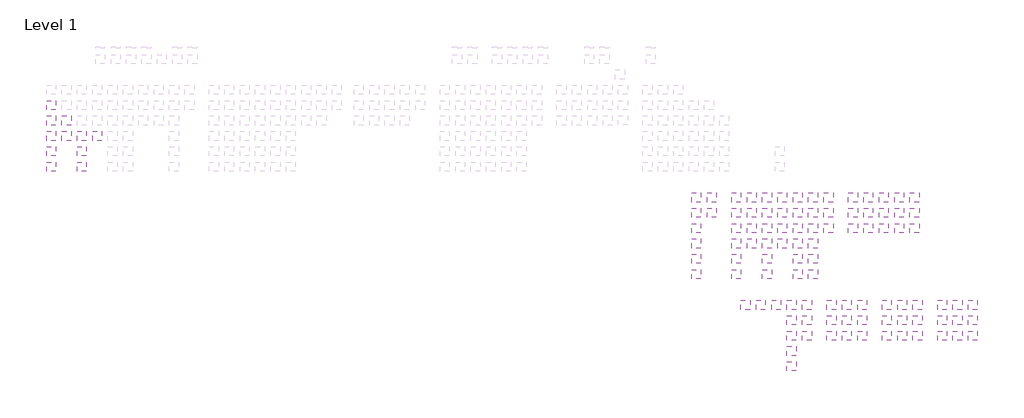
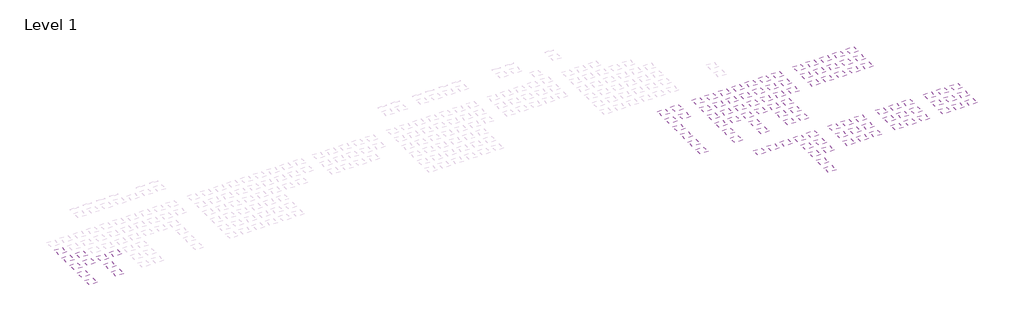
# One storey, part 6 of 90: 107 coverings.
"""IFC4 building model written with IfcOpenShell, lengths in millimetres."""

from ifc_helpers import new_model, si_unit, frame, origin, place, context, project, spatial, polyline, outline, extrude, element, save

model = new_model("IFC4")

# Units and contexts
model_context = context("Model", 3, world=origin())
ifc_project = project(units=[si_unit("LENGTHUNIT", "METRE", prefix="MILLI")], contexts=[model_context])

# Site, building, storey
site = spatial("IfcSite", under=ifc_project)
building = spatial("IfcBuilding", under=site)
storey = spatial("IfcBuildingStorey", under=building, Name="Level 1", Elevation=0.0)

# Coverings
placement = place(None, origin())
element("IfcCovering", 1, at=placement, inside=storey, context=model_context, shape_type="SweptSolid", body=[
    extrude(outline(polyline([(-14078.6111825, 17503.2440705), (-14078.6111825, 14503.2440705), (-17078.6111825, 14503.2440705), (-17078.6111825, 17503.2440705), (-14078.6111825, 17503.2440705)])), frame((0.0, 0.0, 2600.0), z_axis=(0.0, 0.0, 1.0), x_axis=(1.0, 0.0, 0.0)), (0.0, 0.0, 1.0), 38.0),
])
element("IfcCovering", 2, at=placement, inside=storey, context=model_context, shape_type="SweptSolid", body=[
    extrude(outline(polyline([(-14078.6111825, 12503.2440705), (-14078.6111825, 9503.2440705), (-17078.6111825, 9503.2440705), (-17078.6111825, 12503.2440705), (-14078.6111825, 12503.2440705)])), frame((0.0, 0.0, 2600.0), z_axis=(0.0, 0.0, 1.0), x_axis=(1.0, 0.0, 0.0)), (0.0, 0.0, 1.0), 38.0),
])
element("IfcCovering", 3, at=placement, inside=storey, context=model_context, shape_type="SweptSolid", body=[
    extrude(outline(polyline([(-14078.6111825, 2503.2440705), (-14078.6111825, -496.7559295), (-17078.6111825, -496.7559295), (-17078.6111825, 2503.2440705), (-14078.6111825, 2503.2440705)])), frame((0.0, 0.0, 2600.0), z_axis=(0.0, 0.0, 1.0), x_axis=(1.0, 0.0, 0.0)), (0.0, 0.0, 1.0), 38.0),
])
element("IfcCovering", 4, at=placement, inside=storey, context=model_context, shape_type="SweptSolid", body=[
    extrude(outline(polyline([(-4078.6111825, 12503.2440705), (-4078.6111825, 9503.2440705), (-7078.6111825, 9503.2440705), (-7078.6111825, 12503.2440705), (-4078.6111825, 12503.2440705)])), frame((0.0, 0.0, 2600.0), z_axis=(0.0, 0.0, 1.0), x_axis=(1.0, 0.0, 0.0)), (0.0, 0.0, 1.0), 38.0),
])
element("IfcCovering", 5, at=placement, inside=storey, context=model_context, shape_type="SweptSolid", body=[
    extrude(outline(polyline([(-4078.6111825, 2503.2440705), (-4078.6111825, -496.7559295), (-7078.6111825, -496.7559295), (-7078.6111825, 2503.2440705), (-4078.6111825, 2503.2440705)])), frame((0.0, 0.0, 2600.0), z_axis=(0.0, 0.0, 1.0), x_axis=(1.0, 0.0, 0.0)), (0.0, 0.0, 1.0), 38.0),
])
element("IfcCovering", 6, at=placement, inside=storey, context=model_context, shape_type="SweptSolid", body=[
    extrude(outline(polyline([(195921.3888175, -7496.7559295), (195921.3888175, -10496.7559295), (192921.3888175, -10496.7559295), (192921.3888175, -7496.7559295), (195921.3888175, -7496.7559295)])), frame((0.0, 0.0, 2600.0), z_axis=(0.0, 0.0, 1.0), x_axis=(1.0, 0.0, 0.0)), (0.0, 0.0, 1.0), 105.0),
])
element("IfcCovering", 7, at=placement, inside=storey, context=model_context, shape_type="SweptSolid", body=[
    extrude(outline(polyline([(195921.3888175, -17496.7559295), (195921.3888175, -20496.7559295), (192921.3888175, -20496.7559295), (192921.3888175, -17496.7559295), (195921.3888175, -17496.7559295)])), frame((0.0, 0.0, 2600.0), z_axis=(0.0, 0.0, 1.0), x_axis=(1.0, 0.0, 0.0)), (0.0, 0.0, 1.0), 105.0),
])
element("IfcCovering", 8, at=placement, inside=storey, context=model_context, shape_type="SweptSolid", body=[
    extrude(outline(polyline([(208921.3888175, -7496.7559295), (208921.3888175, -10496.7559295), (205921.3888175, -10496.7559295), (205921.3888175, -7496.7559295), (208921.3888175, -7496.7559295)])), frame((0.0, 0.0, 2600.0), z_axis=(0.0, 0.0, 1.0), x_axis=(1.0, 0.0, 0.0)), (0.0, 0.0, 1.0), 38.0),
])
element("IfcCovering", 9, at=placement, inside=storey, context=model_context, shape_type="SweptSolid", body=[
    extrude(outline(polyline([(208921.3888175, -17496.7559295), (208921.3888175, -20496.7559295), (205921.3888175, -20496.7559295), (205921.3888175, -17496.7559295), (208921.3888175, -17496.7559295)])), frame((0.0, 0.0, 2600.0), z_axis=(0.0, 0.0, 1.0), x_axis=(1.0, 0.0, 0.0)), (0.0, 0.0, 1.0), 38.0),
])
element("IfcCovering", 10, at=placement, inside=storey, context=model_context, shape_type="SweptSolid", body=[
    extrude(outline(polyline([(208921.3888175, -22496.7559295), (208921.3888175, -25496.7559295), (205921.3888175, -25496.7559295), (205921.3888175, -22496.7559295), (208921.3888175, -22496.7559295)])), frame((0.0, 0.0, 2600.0), z_axis=(0.0, 0.0, 1.0), x_axis=(1.0, 0.0, 0.0)), (0.0, 0.0, 1.0), 38.0),
])
element("IfcCovering", 11, at=placement, inside=storey, context=model_context, shape_type="SweptSolid", body=[
    extrude(outline(polyline([(208921.3888175, -32496.7559295), (208921.3888175, -35496.7559295), (205921.3888175, -35496.7559295), (205921.3888175, -32496.7559295), (208921.3888175, -32496.7559295)])), frame((0.0, 0.0, 2600.0), z_axis=(0.0, 0.0, 1.0), x_axis=(1.0, 0.0, 0.0)), (0.0, 0.0, 1.0), 38.0),
])
element("IfcCovering", 12, at=placement, inside=storey, context=model_context, shape_type="SweptSolid", body=[
    extrude(outline(polyline([(218921.3888175, -7496.7559295), (218921.3888175, -10496.7559295), (215921.3888175, -10496.7559295), (215921.3888175, -7496.7559295), (218921.3888175, -7496.7559295)])), frame((0.0, 0.0, 2600.0), z_axis=(0.0, 0.0, 1.0), x_axis=(1.0, 0.0, 0.0)), (0.0, 0.0, 1.0), 38.0),
])
element("IfcCovering", 13, at=placement, inside=storey, context=model_context, shape_type="SweptSolid", body=[
    extrude(outline(polyline([(218921.3888175, -17496.7559295), (218921.3888175, -20496.7559295), (215921.3888175, -20496.7559295), (215921.3888175, -17496.7559295), (218921.3888175, -17496.7559295)])), frame((0.0, 0.0, 2600.0), z_axis=(0.0, 0.0, 1.0), x_axis=(1.0, 0.0, 0.0)), (0.0, 0.0, 1.0), 38.0),
])
element("IfcCovering", 14, at=placement, inside=storey, context=model_context, shape_type="SweptSolid", body=[
    extrude(outline(polyline([(218921.3888175, -22496.7559295), (218921.3888175, -25496.7559295), (215921.3888175, -25496.7559295), (215921.3888175, -22496.7559295), (218921.3888175, -22496.7559295)])), frame((0.0, 0.0, 2600.0), z_axis=(0.0, 0.0, 1.0), x_axis=(1.0, 0.0, 0.0)), (0.0, 0.0, 1.0), 38.0),
])
element("IfcCovering", 15, at=placement, inside=storey, context=model_context, shape_type="SweptSolid", body=[
    extrude(outline(polyline([(218921.3888175, -32496.7559295), (218921.3888175, -35496.7559295), (215921.3888175, -35496.7559295), (215921.3888175, -32496.7559295), (218921.3888175, -32496.7559295)])), frame((0.0, 0.0, 2600.0), z_axis=(0.0, 0.0, 1.0), x_axis=(1.0, 0.0, 0.0)), (0.0, 0.0, 1.0), 38.0),
])
element("IfcCovering", 16, at=placement, inside=storey, context=model_context, shape_type="SweptSolid", body=[
    extrude(outline(polyline([(228921.3888175, -7496.7559295), (228921.3888175, -10496.7559295), (225921.3888175, -10496.7559295), (225921.3888175, -7496.7559295), (228921.3888175, -7496.7559295)])), frame((0.0, 0.0, 2600.0), z_axis=(0.0, 0.0, 1.0), x_axis=(1.0, 0.0, 0.0)), (0.0, 0.0, 1.0), 38.0),
])
element("IfcCovering", 17, at=placement, inside=storey, context=model_context, shape_type="SweptSolid", body=[
    extrude(outline(polyline([(228921.3888175, -17496.7559295), (228921.3888175, -20496.7559295), (225921.3888175, -20496.7559295), (225921.3888175, -17496.7559295), (228921.3888175, -17496.7559295)])), frame((0.0, 0.0, 2600.0), z_axis=(0.0, 0.0, 1.0), x_axis=(1.0, 0.0, 0.0)), (0.0, 0.0, 1.0), 38.0),
])
element("IfcCovering", 18, at=placement, inside=storey, context=model_context, shape_type="SweptSolid", body=[
    extrude(outline(polyline([(228921.3888175, -22496.7559295), (228921.3888175, -25496.7559295), (225921.3888175, -25496.7559295), (225921.3888175, -22496.7559295), (228921.3888175, -22496.7559295)])), frame((0.0, 0.0, 2600.0), z_axis=(0.0, 0.0, 1.0), x_axis=(1.0, 0.0, 0.0)), (0.0, 0.0, 1.0), 38.0),
])
element("IfcCovering", 19, at=placement, inside=storey, context=model_context, shape_type="SweptSolid", body=[
    extrude(outline(polyline([(228921.3888175, -32496.7559295), (228921.3888175, -35496.7559295), (225921.3888175, -35496.7559295), (225921.3888175, -32496.7559295), (228921.3888175, -32496.7559295)])), frame((0.0, 0.0, 2600.0), z_axis=(0.0, 0.0, 1.0), x_axis=(1.0, 0.0, 0.0)), (0.0, 0.0, 1.0), 38.0),
])
element("IfcCovering", 20, at=placement, inside=storey, context=model_context, shape_type="SweptSolid", body=[
    extrude(outline(polyline([(233921.3888175, -7496.7559295), (233921.3888175, -10496.7559295), (230921.3888175, -10496.7559295), (230921.3888175, -7496.7559295), (233921.3888175, -7496.7559295)])), frame((0.0, 0.0, 2600.0), z_axis=(0.0, 0.0, 1.0), x_axis=(1.0, 0.0, 0.0)), (0.0, 0.0, 1.0), 38.0),
])
element("IfcCovering", 21, at=placement, inside=storey, context=model_context, shape_type="SweptSolid", body=[
    extrude(outline(polyline([(233921.3888175, -17496.7559295), (233921.3888175, -20496.7559295), (230921.3888175, -20496.7559295), (230921.3888175, -17496.7559295), (233921.3888175, -17496.7559295)])), frame((0.0, 0.0, 2600.0), z_axis=(0.0, 0.0, 1.0), x_axis=(1.0, 0.0, 0.0)), (0.0, 0.0, 1.0), 38.0),
])
element("IfcCovering", 22, at=placement, inside=storey, context=model_context, shape_type="SweptSolid", body=[
    extrude(outline(polyline([(233921.3888175, -22496.7559295), (233921.3888175, -25496.7559295), (230921.3888175, -25496.7559295), (230921.3888175, -22496.7559295), (233921.3888175, -22496.7559295)])), frame((0.0, 0.0, 2600.0), z_axis=(0.0, 0.0, 1.0), x_axis=(1.0, 0.0, 0.0)), (0.0, 0.0, 1.0), 38.0),
])
element("IfcCovering", 23, at=placement, inside=storey, context=model_context, shape_type="SweptSolid", body=[
    extrude(outline(polyline([(233921.3888175, -32496.7559295), (233921.3888175, -35496.7559295), (230921.3888175, -35496.7559295), (230921.3888175, -32496.7559295), (233921.3888175, -32496.7559295)])), frame((0.0, 0.0, 2600.0), z_axis=(0.0, 0.0, 1.0), x_axis=(1.0, 0.0, 0.0)), (0.0, 0.0, 1.0), 38.0),
])
element("IfcCovering", 24, at=placement, inside=storey, context=model_context, shape_type="SweptSolid", body=[
    extrude(outline(polyline([(238921.3888175, -7496.7559295), (238921.3888175, -10496.7559295), (235921.3888175, -10496.7559295), (235921.3888175, -7496.7559295), (238921.3888175, -7496.7559295)])), frame((0.0, 0.0, 2600.0), z_axis=(0.0, 0.0, 1.0), x_axis=(1.0, 0.0, 0.0)), (0.0, 0.0, 1.0), 38.0),
])
element("IfcCovering", 25, at=placement, inside=storey, context=model_context, shape_type="SweptSolid", body=[
    extrude(outline(polyline([(238921.3888175, -17496.7559295), (238921.3888175, -20496.7559295), (235921.3888175, -20496.7559295), (235921.3888175, -17496.7559295), (238921.3888175, -17496.7559295)])), frame((0.0, 0.0, 2600.0), z_axis=(0.0, 0.0, 1.0), x_axis=(1.0, 0.0, 0.0)), (0.0, 0.0, 1.0), 38.0),
])
element("IfcCovering", 26, at=placement, inside=storey, context=model_context, shape_type="SweptSolid", body=[
    extrude(outline(polyline([(-14078.6111825, 22503.2440705), (-14078.6111825, 19503.2440705), (-17078.6111825, 19503.2440705), (-17078.6111825, 22503.2440705), (-14078.6111825, 22503.2440705)])), frame((0.0, 0.0, 2600.0), z_axis=(0.0, 0.0, 1.0), x_axis=(1.0, 0.0, 0.0)), (0.0, 0.0, 1.0), 38.0),
])
element("IfcCovering", 27, at=placement, inside=storey, context=model_context, shape_type="SweptSolid", body=[
    extrude(outline(polyline([(-14078.6111825, 7503.2440705), (-14078.6111825, 4503.2440705), (-17078.6111825, 4503.2440705), (-17078.6111825, 7503.2440705), (-14078.6111825, 7503.2440705)])), frame((0.0, 0.0, 2600.0), z_axis=(0.0, 0.0, 1.0), x_axis=(1.0, 0.0, 0.0)), (0.0, 0.0, 1.0), 38.0),
])
element("IfcCovering", 28, at=placement, inside=storey, context=model_context, shape_type="SweptSolid", body=[
    extrude(outline(polyline([(-4078.6111825, 7503.2440705), (-4078.6111825, 4503.2440705), (-7078.6111825, 4503.2440705), (-7078.6111825, 7503.2440705), (-4078.6111825, 7503.2440705)])), frame((0.0, 0.0, 2600.0), z_axis=(0.0, 0.0, 1.0), x_axis=(1.0, 0.0, 0.0)), (0.0, 0.0, 1.0), 38.0),
])
element("IfcCovering", 29, at=placement, inside=storey, context=model_context, shape_type="SweptSolid", body=[
    extrude(outline(polyline([(195921.3888175, -12496.7559295), (195921.3888175, -15496.7559295), (192921.3888175, -15496.7559295), (192921.3888175, -12496.7559295), (195921.3888175, -12496.7559295)])), frame((0.0, 0.0, 2600.0), z_axis=(0.0, 0.0, 1.0), x_axis=(1.0, 0.0, 0.0)), (0.0, 0.0, 1.0), 105.0),
])
element("IfcCovering", 30, at=placement, inside=storey, context=model_context, shape_type="SweptSolid", body=[
    extrude(outline(polyline([(208921.3888175, -12496.7559295), (208921.3888175, -15496.7559295), (205921.3888175, -15496.7559295), (205921.3888175, -12496.7559295), (208921.3888175, -12496.7559295)])), frame((0.0, 0.0, 2600.0), z_axis=(0.0, 0.0, 1.0), x_axis=(1.0, 0.0, 0.0)), (0.0, 0.0, 1.0), 38.0),
])
element("IfcCovering", 31, at=placement, inside=storey, context=model_context, shape_type="SweptSolid", body=[
    extrude(outline(polyline([(218921.3888175, -12496.7559295), (218921.3888175, -15496.7559295), (215921.3888175, -15496.7559295), (215921.3888175, -12496.7559295), (218921.3888175, -12496.7559295)])), frame((0.0, 0.0, 2600.0), z_axis=(0.0, 0.0, 1.0), x_axis=(1.0, 0.0, 0.0)), (0.0, 0.0, 1.0), 38.0),
])
element("IfcCovering", 32, at=placement, inside=storey, context=model_context, shape_type="SweptSolid", body=[
    extrude(outline(polyline([(228921.3888175, -12496.7559295), (228921.3888175, -15496.7559295), (225921.3888175, -15496.7559295), (225921.3888175, -12496.7559295), (228921.3888175, -12496.7559295)])), frame((0.0, 0.0, 2600.0), z_axis=(0.0, 0.0, 1.0), x_axis=(1.0, 0.0, 0.0)), (0.0, 0.0, 1.0), 38.0),
])
element("IfcCovering", 33, at=placement, inside=storey, context=model_context, shape_type="SweptSolid", body=[
    extrude(outline(polyline([(233921.3888175, -12496.7559295), (233921.3888175, -15496.7559295), (230921.3888175, -15496.7559295), (230921.3888175, -12496.7559295), (233921.3888175, -12496.7559295)])), frame((0.0, 0.0, 2600.0), z_axis=(0.0, 0.0, 1.0), x_axis=(1.0, 0.0, 0.0)), (0.0, 0.0, 1.0), 38.0),
])
element("IfcCovering", 34, at=placement, inside=storey, context=model_context, shape_type="SweptSolid", body=[
    extrude(outline(polyline([(238921.3888175, -12496.7559295), (238921.3888175, -15496.7559295), (235921.3888175, -15496.7559295), (235921.3888175, -12496.7559295), (238921.3888175, -12496.7559295)])), frame((0.0, 0.0, 2600.0), z_axis=(0.0, 0.0, 1.0), x_axis=(1.0, 0.0, 0.0)), (0.0, 0.0, 1.0), 38.0),
])
element("IfcCovering", 35, at=placement, inside=storey, context=model_context, shape_type="SweptSolid", body=[
    extrude(outline(polyline([(208921.3888175, -27496.7559295), (208921.3888175, -30496.7559295), (205921.3888175, -30496.7559295), (205921.3888175, -27496.7559295), (208921.3888175, -27496.7559295)])), frame((0.0, 0.0, 2600.0), z_axis=(0.0, 0.0, 1.0), x_axis=(1.0, 0.0, 0.0)), (0.0, 0.0, 1.0), 38.0),
])
element("IfcCovering", 36, at=placement, inside=storey, context=model_context, shape_type="SweptSolid", body=[
    extrude(outline(polyline([(218921.3888175, -27496.7559295), (218921.3888175, -30496.7559295), (215921.3888175, -30496.7559295), (215921.3888175, -27496.7559295), (218921.3888175, -27496.7559295)])), frame((0.0, 0.0, 2600.0), z_axis=(0.0, 0.0, 1.0), x_axis=(1.0, 0.0, 0.0)), (0.0, 0.0, 1.0), 38.0),
])
element("IfcCovering", 37, at=placement, inside=storey, context=model_context, shape_type="SweptSolid", body=[
    extrude(outline(polyline([(228921.3888175, -27496.7559295), (228921.3888175, -30496.7559295), (225921.3888175, -30496.7559295), (225921.3888175, -27496.7559295), (228921.3888175, -27496.7559295)])), frame((0.0, 0.0, 2600.0), z_axis=(0.0, 0.0, 1.0), x_axis=(1.0, 0.0, 0.0)), (0.0, 0.0, 1.0), 38.0),
])
element("IfcCovering", 38, at=placement, inside=storey, context=model_context, shape_type="SweptSolid", body=[
    extrude(outline(polyline([(233921.3888175, -27496.7559295), (233921.3888175, -30496.7559295), (230921.3888175, -30496.7559295), (230921.3888175, -27496.7559295), (233921.3888175, -27496.7559295)])), frame((0.0, 0.0, 2600.0), z_axis=(0.0, 0.0, 1.0), x_axis=(1.0, 0.0, 0.0)), (0.0, 0.0, 1.0), 38.0),
])
element("IfcCovering", 39, at=placement, inside=storey, context=model_context, shape_type="SweptSolid", body=[
    extrude(outline(polyline([(921.3888175, 12503.2440705), (921.3888175, 9503.2440705), (-2078.6111825, 9503.2440705), (-2078.6111825, 12503.2440705), (921.3888175, 12503.2440705)])), frame((0.0, 0.0, 2600.0), z_axis=(0.0, 0.0, 1.0), x_axis=(1.0, 0.0, 0.0)), (0.0, 0.0, 1.0), 38.0),
])
element("IfcCovering", 40, at=placement, inside=storey, context=model_context, shape_type="SweptSolid", body=[
    extrude(outline(polyline([(-9078.6111825, 17503.2440705), (-9078.6111825, 14503.2440705), (-12078.6111825, 14503.2440705), (-12078.6111825, 17503.2440705), (-9078.6111825, 17503.2440705)])), frame((0.0, 0.0, 2600.0), z_axis=(0.0, 0.0, 1.0), x_axis=(1.0, 0.0, 0.0)), (0.0, 0.0, 1.0), 38.0),
])
element("IfcCovering", 41, at=placement, inside=storey, context=model_context, shape_type="SweptSolid", body=[
    extrude(outline(polyline([(-9078.6111825, 12503.2440705), (-9078.6111825, 9503.2440705), (-12078.6111825, 9503.2440705), (-12078.6111825, 12503.2440705), (-9078.6111825, 12503.2440705)])), frame((0.0, 0.0, 2600.0), z_axis=(0.0, 0.0, 1.0), x_axis=(1.0, 0.0, 0.0)), (0.0, 0.0, 1.0), 38.0),
])
element("IfcCovering", 42, at=placement, inside=storey, context=model_context, shape_type="SweptSolid", body=[
    extrude(outline(polyline([(223921.3888175, -7496.7559295), (223921.3888175, -10496.7559295), (220921.3888175, -10496.7559295), (220921.3888175, -7496.7559295), (223921.3888175, -7496.7559295)])), frame((0.0, 0.0, 2600.0), z_axis=(0.0, 0.0, 1.0), x_axis=(1.0, 0.0, 0.0)), (0.0, 0.0, 1.0), 38.0),
])
element("IfcCovering", 43, at=placement, inside=storey, context=model_context, shape_type="SweptSolid", body=[
    extrude(outline(polyline([(223921.3888175, -12496.7559295), (223921.3888175, -15496.7559295), (220921.3888175, -15496.7559295), (220921.3888175, -12496.7559295), (223921.3888175, -12496.7559295)])), frame((0.0, 0.0, 2600.0), z_axis=(0.0, 0.0, 1.0), x_axis=(1.0, 0.0, 0.0)), (0.0, 0.0, 1.0), 38.0),
])
element("IfcCovering", 44, at=placement, inside=storey, context=model_context, shape_type="SweptSolid", body=[
    extrude(outline(polyline([(223921.3888175, -17496.7559295), (223921.3888175, -20496.7559295), (220921.3888175, -20496.7559295), (220921.3888175, -17496.7559295), (223921.3888175, -17496.7559295)])), frame((0.0, 0.0, 2600.0), z_axis=(0.0, 0.0, 1.0), x_axis=(1.0, 0.0, 0.0)), (0.0, 0.0, 1.0), 38.0),
])
element("IfcCovering", 45, at=placement, inside=storey, context=model_context, shape_type="SweptSolid", body=[
    extrude(outline(polyline([(223921.3888175, -22496.7559295), (223921.3888175, -25496.7559295), (220921.3888175, -25496.7559295), (220921.3888175, -22496.7559295), (223921.3888175, -22496.7559295)])), frame((0.0, 0.0, 2600.0), z_axis=(0.0, 0.0, 1.0), x_axis=(1.0, 0.0, 0.0)), (0.0, 0.0, 1.0), 38.0),
])
element("IfcCovering", 46, at=placement, inside=storey, context=model_context, shape_type="SweptSolid", body=[
    extrude(outline(polyline([(213921.3888175, -7496.7559295), (213921.3888175, -10496.7559295), (210921.3888175, -10496.7559295), (210921.3888175, -7496.7559295), (213921.3888175, -7496.7559295)])), frame((0.0, 0.0, 2600.0), z_axis=(0.0, 0.0, 1.0), x_axis=(1.0, 0.0, 0.0)), (0.0, 0.0, 1.0), 38.0),
])
element("IfcCovering", 47, at=placement, inside=storey, context=model_context, shape_type="SweptSolid", body=[
    extrude(outline(polyline([(213921.3888175, -12496.7559295), (213921.3888175, -15496.7559295), (210921.3888175, -15496.7559295), (210921.3888175, -12496.7559295), (213921.3888175, -12496.7559295)])), frame((0.0, 0.0, 2600.0), z_axis=(0.0, 0.0, 1.0), x_axis=(1.0, 0.0, 0.0)), (0.0, 0.0, 1.0), 38.0),
])
element("IfcCovering", 48, at=placement, inside=storey, context=model_context, shape_type="SweptSolid", body=[
    extrude(outline(polyline([(213921.3888175, -17496.7559295), (213921.3888175, -20496.7559295), (210921.3888175, -20496.7559295), (210921.3888175, -17496.7559295), (213921.3888175, -17496.7559295)])), frame((0.0, 0.0, 2600.0), z_axis=(0.0, 0.0, 1.0), x_axis=(1.0, 0.0, 0.0)), (0.0, 0.0, 1.0), 38.0),
])
element("IfcCovering", 49, at=placement, inside=storey, context=model_context, shape_type="SweptSolid", body=[
    extrude(outline(polyline([(213921.3888175, -22496.7559295), (213921.3888175, -25496.7559295), (210921.3888175, -25496.7559295), (210921.3888175, -22496.7559295), (213921.3888175, -22496.7559295)])), frame((0.0, 0.0, 2600.0), z_axis=(0.0, 0.0, 1.0), x_axis=(1.0, 0.0, 0.0)), (0.0, 0.0, 1.0), 38.0),
])
element("IfcCovering", 50, at=placement, inside=storey, context=model_context, shape_type="SweptSolid", body=[
    extrude(outline(polyline([(200921.3888175, -7496.7559295), (200921.3888175, -10496.7559295), (197921.3888175, -10496.7559295), (197921.3888175, -7496.7559295), (200921.3888175, -7496.7559295)])), frame((0.0, 0.0, 2600.0), z_axis=(0.0, 0.0, 1.0), x_axis=(1.0, 0.0, 0.0)), (0.0, 0.0, 1.0), 105.0),
])
element("IfcCovering", 51, at=placement, inside=storey, context=model_context, shape_type="SweptSolid", body=[
    extrude(outline(polyline([(200921.3888175, -12496.7559295), (200921.3888175, -15496.7559295), (197921.3888175, -15496.7559295), (197921.3888175, -12496.7559295), (200921.3888175, -12496.7559295)])), frame((0.0, 0.0, 2600.0), z_axis=(0.0, 0.0, 1.0), x_axis=(1.0, 0.0, 0.0)), (0.0, 0.0, 1.0), 105.0),
])
element("IfcCovering", 52, at=placement, inside=storey, context=model_context, shape_type="SweptSolid", body=[
    extrude(outline(polyline([(246921.3888175, -7496.7559295), (246921.3888175, -10496.7559295), (243921.3888175, -10496.7559295), (243921.3888175, -7496.7559295), (246921.3888175, -7496.7559295)])), frame((0.0, 0.0, 2600.0), z_axis=(0.0, 0.0, 1.0), x_axis=(1.0, 0.0, 0.0)), (0.0, 0.0, 1.0), 37.0),
])
element("IfcCovering", 53, at=placement, inside=storey, context=model_context, shape_type="SweptSolid", body=[
    extrude(outline(polyline([(246921.3888175, -17496.7559295), (246921.3888175, -20496.7559295), (243921.3888175, -20496.7559295), (243921.3888175, -17496.7559295), (246921.3888175, -17496.7559295)])), frame((0.0, 0.0, 2600.0), z_axis=(0.0, 0.0, 1.0), x_axis=(1.0, 0.0, 0.0)), (0.0, 0.0, 1.0), 37.0),
])
element("IfcCovering", 54, at=placement, inside=storey, context=model_context, shape_type="SweptSolid", body=[
    extrude(outline(polyline([(251921.3888175, -7496.7559295), (251921.3888175, -10496.7559295), (248921.3888175, -10496.7559295), (248921.3888175, -7496.7559295), (251921.3888175, -7496.7559295)])), frame((0.0, 0.0, 2600.0), z_axis=(0.0, 0.0, 1.0), x_axis=(1.0, 0.0, 0.0)), (0.0, 0.0, 1.0), 37.0),
])
element("IfcCovering", 55, at=placement, inside=storey, context=model_context, shape_type="SweptSolid", body=[
    extrude(outline(polyline([(251921.3888175, -17496.7559295), (251921.3888175, -20496.7559295), (248921.3888175, -20496.7559295), (248921.3888175, -17496.7559295), (251921.3888175, -17496.7559295)])), frame((0.0, 0.0, 2600.0), z_axis=(0.0, 0.0, 1.0), x_axis=(1.0, 0.0, 0.0)), (0.0, 0.0, 1.0), 37.0),
])
element("IfcCovering", 56, at=placement, inside=storey, context=model_context, shape_type="SweptSolid", body=[
    extrude(outline(polyline([(256921.3888175, -7496.7559295), (256921.3888175, -10496.7559295), (253921.3888175, -10496.7559295), (253921.3888175, -7496.7559295), (256921.3888175, -7496.7559295)])), frame((0.0, 0.0, 2600.0), z_axis=(0.0, 0.0, 1.0), x_axis=(1.0, 0.0, 0.0)), (0.0, 0.0, 1.0), 37.0),
])
element("IfcCovering", 57, at=placement, inside=storey, context=model_context, shape_type="SweptSolid", body=[
    extrude(outline(polyline([(256921.3888175, -17496.7559295), (256921.3888175, -20496.7559295), (253921.3888175, -20496.7559295), (253921.3888175, -17496.7559295), (256921.3888175, -17496.7559295)])), frame((0.0, 0.0, 2600.0), z_axis=(0.0, 0.0, 1.0), x_axis=(1.0, 0.0, 0.0)), (0.0, 0.0, 1.0), 37.0),
])
element("IfcCovering", 58, at=placement, inside=storey, context=model_context, shape_type="SweptSolid", body=[
    extrude(outline(polyline([(261921.3888175, -7496.7559295), (261921.3888175, -10496.7559295), (258921.3888175, -10496.7559295), (258921.3888175, -7496.7559295), (261921.3888175, -7496.7559295)])), frame((0.0, 0.0, 2600.0), z_axis=(0.0, 0.0, 1.0), x_axis=(1.0, 0.0, 0.0)), (0.0, 0.0, 1.0), 37.0),
])
element("IfcCovering", 59, at=placement, inside=storey, context=model_context, shape_type="SweptSolid", body=[
    extrude(outline(polyline([(261921.3888175, -17496.7559295), (261921.3888175, -20496.7559295), (258921.3888175, -20496.7559295), (258921.3888175, -17496.7559295), (261921.3888175, -17496.7559295)])), frame((0.0, 0.0, 2600.0), z_axis=(0.0, 0.0, 1.0), x_axis=(1.0, 0.0, 0.0)), (0.0, 0.0, 1.0), 37.0),
])
element("IfcCovering", 60, at=placement, inside=storey, context=model_context, shape_type="SweptSolid", body=[
    extrude(outline(polyline([(266921.3888175, -7496.7559295), (266921.3888175, -10496.7559295), (263921.3888175, -10496.7559295), (263921.3888175, -7496.7559295), (266921.3888175, -7496.7559295)])), frame((0.0, 0.0, 2600.0), z_axis=(0.0, 0.0, 1.0), x_axis=(1.0, 0.0, 0.0)), (0.0, 0.0, 1.0), 37.0),
])
element("IfcCovering", 61, at=placement, inside=storey, context=model_context, shape_type="SweptSolid", body=[
    extrude(outline(polyline([(266921.3888175, -17496.7559295), (266921.3888175, -20496.7559295), (263921.3888175, -20496.7559295), (263921.3888175, -17496.7559295), (266921.3888175, -17496.7559295)])), frame((0.0, 0.0, 2600.0), z_axis=(0.0, 0.0, 1.0), x_axis=(1.0, 0.0, 0.0)), (0.0, 0.0, 1.0), 37.0),
])
element("IfcCovering", 62, at=placement, inside=storey, context=model_context, shape_type="SweptSolid", body=[
    extrude(outline(polyline([(195921.3888175, -22496.7559295), (195921.3888175, -25496.7559295), (192921.3888175, -25496.7559295), (192921.3888175, -22496.7559295), (195921.3888175, -22496.7559295)])), frame((0.0, 0.0, 2600.0), z_axis=(0.0, 0.0, 1.0), x_axis=(1.0, 0.0, 0.0)), (0.0, 0.0, 1.0), 105.0),
])
element("IfcCovering", 63, at=placement, inside=storey, context=model_context, shape_type="SweptSolid", body=[
    extrude(outline(polyline([(195921.3888175, -32496.7559295), (195921.3888175, -35496.7559295), (192921.3888175, -35496.7559295), (192921.3888175, -32496.7559295), (195921.3888175, -32496.7559295)])), frame((0.0, 0.0, 2600.0), z_axis=(0.0, 0.0, 1.0), x_axis=(1.0, 0.0, 0.0)), (0.0, 0.0, 1.0), 105.0),
])
element("IfcCovering", 64, at=placement, inside=storey, context=model_context, shape_type="SweptSolid", body=[
    extrude(outline(polyline([(195921.3888175, -27496.7559295), (195921.3888175, -30496.7559295), (192921.3888175, -30496.7559295), (192921.3888175, -27496.7559295), (195921.3888175, -27496.7559295)])), frame((0.0, 0.0, 2600.0), z_axis=(0.0, 0.0, 1.0), x_axis=(1.0, 0.0, 0.0)), (0.0, 0.0, 1.0), 105.0),
])
element("IfcCovering", 65, at=placement, inside=storey, context=model_context, shape_type="SweptSolid", body=[
    extrude(outline(polyline([(211921.3888175, -42496.7559295), (211921.3888175, -45496.7559295), (208921.3888175, -45496.7559295), (208921.3888175, -42496.7559295), (211921.3888175, -42496.7559295)])), frame((0.0, 0.0, 2600.0), z_axis=(0.0, 0.0, 1.0), x_axis=(1.0, 0.0, 0.0)), (0.0, 0.0, 1.0), 38.0),
])
element("IfcCovering", 66, at=placement, inside=storey, context=model_context, shape_type="SweptSolid", body=[
    extrude(outline(polyline([(221921.3888175, -42496.7559295), (221921.3888175, -45496.7559295), (218921.3888175, -45496.7559295), (218921.3888175, -42496.7559295), (221921.3888175, -42496.7559295)])), frame((0.0, 0.0, 2600.0), z_axis=(0.0, 0.0, 1.0), x_axis=(1.0, 0.0, 0.0)), (0.0, 0.0, 1.0), 38.0),
])
element("IfcCovering", 67, at=placement, inside=storey, context=model_context, shape_type="SweptSolid", body=[
    extrude(outline(polyline([(226921.3888175, -42496.7559295), (226921.3888175, -45496.7559295), (223921.3888175, -45496.7559295), (223921.3888175, -42496.7559295), (226921.3888175, -42496.7559295)])), frame((0.0, 0.0, 2600.0), z_axis=(0.0, 0.0, 1.0), x_axis=(1.0, 0.0, 0.0)), (0.0, 0.0, 1.0), 38.0),
])
element("IfcCovering", 68, at=placement, inside=storey, context=model_context, shape_type="SweptSolid", body=[
    extrude(outline(polyline([(226921.3888175, -52496.7559295), (226921.3888175, -55496.7559295), (223921.3888175, -55496.7559295), (223921.3888175, -52496.7559295), (226921.3888175, -52496.7559295)])), frame((0.0, 0.0, 2600.0), z_axis=(0.0, 0.0, 1.0), x_axis=(1.0, 0.0, 0.0)), (0.0, 0.0, 1.0), 38.0),
])
element("IfcCovering", 69, at=placement, inside=storey, context=model_context, shape_type="SweptSolid", body=[
    extrude(outline(polyline([(226921.3888175, -47496.7559295), (226921.3888175, -50496.7559295), (223921.3888175, -50496.7559295), (223921.3888175, -47496.7559295), (226921.3888175, -47496.7559295)])), frame((0.0, 0.0, 2600.0), z_axis=(0.0, 0.0, 1.0), x_axis=(1.0, 0.0, 0.0)), (0.0, 0.0, 1.0), 38.0),
])
element("IfcCovering", 70, at=placement, inside=storey, context=model_context, shape_type="SweptSolid", body=[
    extrude(outline(polyline([(226921.3888175, -57496.7559295), (226921.3888175, -60496.7559295), (223921.3888175, -60496.7559295), (223921.3888175, -57496.7559295), (226921.3888175, -57496.7559295)])), frame((0.0, 0.0, 2600.0), z_axis=(0.0, 0.0, 1.0), x_axis=(1.0, 0.0, 0.0)), (0.0, 0.0, 1.0), 38.0),
])
element("IfcCovering", 71, at=placement, inside=storey, context=model_context, shape_type="SweptSolid", body=[
    extrude(outline(polyline([(226921.3888175, -62496.7559295), (226921.3888175, -65496.7559295), (223921.3888175, -65496.7559295), (223921.3888175, -62496.7559295), (226921.3888175, -62496.7559295)])), frame((0.0, 0.0, 2600.0), z_axis=(0.0, 0.0, 1.0), x_axis=(1.0, 0.0, 0.0)), (0.0, 0.0, 1.0), 38.0),
])
element("IfcCovering", 72, at=placement, inside=storey, context=model_context, shape_type="SweptSolid", body=[
    extrude(outline(polyline([(216921.3888175, -42496.7559295), (216921.3888175, -45496.7559295), (213921.3888175, -45496.7559295), (213921.3888175, -42496.7559295), (216921.3888175, -42496.7559295)])), frame((0.0, 0.0, 2600.0), z_axis=(0.0, 0.0, 1.0), x_axis=(1.0, 0.0, 0.0)), (0.0, 0.0, 1.0), 38.0),
])
element("IfcCovering", 73, at=placement, inside=storey, context=model_context, shape_type="SweptSolid", body=[
    extrude(outline(polyline([(246921.3888175, -12496.7559295), (246921.3888175, -15496.7559295), (243921.3888175, -15496.7559295), (243921.3888175, -12496.7559295), (246921.3888175, -12496.7559295)])), frame((0.0, 0.0, 2600.0), z_axis=(0.0, 0.0, 1.0), x_axis=(1.0, 0.0, 0.0)), (0.0, 0.0, 1.0), 37.0),
])
element("IfcCovering", 74, at=placement, inside=storey, context=model_context, shape_type="SweptSolid", body=[
    extrude(outline(polyline([(251921.3888175, -12496.7559295), (251921.3888175, -15496.7559295), (248921.3888175, -15496.7559295), (248921.3888175, -12496.7559295), (251921.3888175, -12496.7559295)])), frame((0.0, 0.0, 2600.0), z_axis=(0.0, 0.0, 1.0), x_axis=(1.0, 0.0, 0.0)), (0.0, 0.0, 1.0), 37.0),
])
element("IfcCovering", 75, at=placement, inside=storey, context=model_context, shape_type="SweptSolid", body=[
    extrude(outline(polyline([(256921.3888175, -12496.7559295), (256921.3888175, -15496.7559295), (253921.3888175, -15496.7559295), (253921.3888175, -12496.7559295), (256921.3888175, -12496.7559295)])), frame((0.0, 0.0, 2600.0), z_axis=(0.0, 0.0, 1.0), x_axis=(1.0, 0.0, 0.0)), (0.0, 0.0, 1.0), 37.0),
])
element("IfcCovering", 76, at=placement, inside=storey, context=model_context, shape_type="SweptSolid", body=[
    extrude(outline(polyline([(261921.3888175, -12496.7559295), (261921.3888175, -15496.7559295), (258921.3888175, -15496.7559295), (258921.3888175, -12496.7559295), (261921.3888175, -12496.7559295)])), frame((0.0, 0.0, 2600.0), z_axis=(0.0, 0.0, 1.0), x_axis=(1.0, 0.0, 0.0)), (0.0, 0.0, 1.0), 37.0),
])
element("IfcCovering", 77, at=placement, inside=storey, context=model_context, shape_type="SweptSolid", body=[
    extrude(outline(polyline([(266921.3888175, -12496.7559295), (266921.3888175, -15496.7559295), (263921.3888175, -15496.7559295), (263921.3888175, -12496.7559295), (266921.3888175, -12496.7559295)])), frame((0.0, 0.0, 2600.0), z_axis=(0.0, 0.0, 1.0), x_axis=(1.0, 0.0, 0.0)), (0.0, 0.0, 1.0), 37.0),
])
element("IfcCovering", 78, at=placement, inside=storey, context=model_context, shape_type="SweptSolid", body=[
    extrude(outline(polyline([(239921.3888175, -42496.7559295), (239921.3888175, -45496.7559295), (236921.3888175, -45496.7559295), (236921.3888175, -42496.7559295), (239921.3888175, -42496.7559295)])), frame((0.0, 0.0, 2600.0), z_axis=(0.0, 0.0, 1.0), x_axis=(1.0, 0.0, 0.0)), (0.0, 0.0, 1.0), 38.0),
])
element("IfcCovering", 79, at=placement, inside=storey, context=model_context, shape_type="SweptSolid", body=[
    extrude(outline(polyline([(239921.3888175, -52496.7559295), (239921.3888175, -55496.7559295), (236921.3888175, -55496.7559295), (236921.3888175, -52496.7559295), (239921.3888175, -52496.7559295)])), frame((0.0, 0.0, 2600.0), z_axis=(0.0, 0.0, 1.0), x_axis=(1.0, 0.0, 0.0)), (0.0, 0.0, 1.0), 38.0),
])
element("IfcCovering", 80, at=placement, inside=storey, context=model_context, shape_type="SweptSolid", body=[
    extrude(outline(polyline([(239921.3888175, -47496.7559295), (239921.3888175, -50496.7559295), (236921.3888175, -50496.7559295), (236921.3888175, -47496.7559295), (239921.3888175, -47496.7559295)])), frame((0.0, 0.0, 2600.0), z_axis=(0.0, 0.0, 1.0), x_axis=(1.0, 0.0, 0.0)), (0.0, 0.0, 1.0), 38.0),
])
element("IfcCovering", 81, at=placement, inside=storey, context=model_context, shape_type="SweptSolid", body=[
    extrude(outline(polyline([(244921.3888175, -42496.7559295), (244921.3888175, -45496.7559295), (241921.3888175, -45496.7559295), (241921.3888175, -42496.7559295), (244921.3888175, -42496.7559295)])), frame((0.0, 0.0, 2600.0), z_axis=(0.0, 0.0, 1.0), x_axis=(1.0, 0.0, 0.0)), (0.0, 0.0, 1.0), 38.0),
])
element("IfcCovering", 82, at=placement, inside=storey, context=model_context, shape_type="SweptSolid", body=[
    extrude(outline(polyline([(244921.3888175, -52496.7559295), (244921.3888175, -55496.7559295), (241921.3888175, -55496.7559295), (241921.3888175, -52496.7559295), (244921.3888175, -52496.7559295)])), frame((0.0, 0.0, 2600.0), z_axis=(0.0, 0.0, 1.0), x_axis=(1.0, 0.0, 0.0)), (0.0, 0.0, 1.0), 38.0),
])
element("IfcCovering", 83, at=placement, inside=storey, context=model_context, shape_type="SweptSolid", body=[
    extrude(outline(polyline([(244921.3888175, -47496.7559295), (244921.3888175, -50496.7559295), (241921.3888175, -50496.7559295), (241921.3888175, -47496.7559295), (244921.3888175, -47496.7559295)])), frame((0.0, 0.0, 2600.0), z_axis=(0.0, 0.0, 1.0), x_axis=(1.0, 0.0, 0.0)), (0.0, 0.0, 1.0), 38.0),
])
element("IfcCovering", 84, at=placement, inside=storey, context=model_context, shape_type="SweptSolid", body=[
    extrude(outline(polyline([(249921.3888175, -42496.7559295), (249921.3888175, -45496.7559295), (246921.3888175, -45496.7559295), (246921.3888175, -42496.7559295), (249921.3888175, -42496.7559295)])), frame((0.0, 0.0, 2600.0), z_axis=(0.0, 0.0, 1.0), x_axis=(1.0, 0.0, 0.0)), (0.0, 0.0, 1.0), 38.0),
])
element("IfcCovering", 85, at=placement, inside=storey, context=model_context, shape_type="SweptSolid", body=[
    extrude(outline(polyline([(249921.3888175, -52496.7559295), (249921.3888175, -55496.7559295), (246921.3888175, -55496.7559295), (246921.3888175, -52496.7559295), (249921.3888175, -52496.7559295)])), frame((0.0, 0.0, 2600.0), z_axis=(0.0, 0.0, 1.0), x_axis=(1.0, 0.0, 0.0)), (0.0, 0.0, 1.0), 38.0),
])
element("IfcCovering", 86, at=placement, inside=storey, context=model_context, shape_type="SweptSolid", body=[
    extrude(outline(polyline([(249921.3888175, -47496.7559295), (249921.3888175, -50496.7559295), (246921.3888175, -50496.7559295), (246921.3888175, -47496.7559295), (249921.3888175, -47496.7559295)])), frame((0.0, 0.0, 2600.0), z_axis=(0.0, 0.0, 1.0), x_axis=(1.0, 0.0, 0.0)), (0.0, 0.0, 1.0), 38.0),
])
element("IfcCovering", 87, at=placement, inside=storey, context=model_context, shape_type="SweptSolid", body=[
    extrude(outline(polyline([(257921.3888175, -42496.7559295), (257921.3888175, -45496.7559295), (254921.3888175, -45496.7559295), (254921.3888175, -42496.7559295), (257921.3888175, -42496.7559295)])), frame((0.0, 0.0, 2600.0), z_axis=(0.0, 0.0, 1.0), x_axis=(1.0, 0.0, 0.0)), (0.0, 0.0, 1.0), 35.0),
])
element("IfcCovering", 88, at=placement, inside=storey, context=model_context, shape_type="SweptSolid", body=[
    extrude(outline(polyline([(257921.3888175, -52496.7559295), (257921.3888175, -55496.7559295), (254921.3888175, -55496.7559295), (254921.3888175, -52496.7559295), (257921.3888175, -52496.7559295)])), frame((0.0, 0.0, 2600.0), z_axis=(0.0, 0.0, 1.0), x_axis=(1.0, 0.0, 0.0)), (0.0, 0.0, 1.0), 35.0),
])
element("IfcCovering", 89, at=placement, inside=storey, context=model_context, shape_type="SweptSolid", body=[
    extrude(outline(polyline([(257921.3888175, -47496.7559295), (257921.3888175, -50496.7559295), (254921.3888175, -50496.7559295), (254921.3888175, -47496.7559295), (257921.3888175, -47496.7559295)])), frame((0.0, 0.0, 2600.0), z_axis=(0.0, 0.0, 1.0), x_axis=(1.0, 0.0, 0.0)), (0.0, 0.0, 1.0), 35.0),
])
element("IfcCovering", 90, at=placement, inside=storey, context=model_context, shape_type="SweptSolid", body=[
    extrude(outline(polyline([(262921.3888175, -42496.7559295), (262921.3888175, -45496.7559295), (259921.3888175, -45496.7559295), (259921.3888175, -42496.7559295), (262921.3888175, -42496.7559295)])), frame((0.0, 0.0, 2600.0), z_axis=(0.0, 0.0, 1.0), x_axis=(1.0, 0.0, 0.0)), (0.0, 0.0, 1.0), 35.0),
])
element("IfcCovering", 91, at=placement, inside=storey, context=model_context, shape_type="SweptSolid", body=[
    extrude(outline(polyline([(262921.3888175, -52496.7559295), (262921.3888175, -55496.7559295), (259921.3888175, -55496.7559295), (259921.3888175, -52496.7559295), (262921.3888175, -52496.7559295)])), frame((0.0, 0.0, 2600.0), z_axis=(0.0, 0.0, 1.0), x_axis=(1.0, 0.0, 0.0)), (0.0, 0.0, 1.0), 35.0),
])
element("IfcCovering", 92, at=placement, inside=storey, context=model_context, shape_type="SweptSolid", body=[
    extrude(outline(polyline([(262921.3888175, -47496.7559295), (262921.3888175, -50496.7559295), (259921.3888175, -50496.7559295), (259921.3888175, -47496.7559295), (262921.3888175, -47496.7559295)])), frame((0.0, 0.0, 2600.0), z_axis=(0.0, 0.0, 1.0), x_axis=(1.0, 0.0, 0.0)), (0.0, 0.0, 1.0), 35.0),
])
element("IfcCovering", 93, at=placement, inside=storey, context=model_context, shape_type="SweptSolid", body=[
    extrude(outline(polyline([(267921.3888175, -42496.7559295), (267921.3888175, -45496.7559295), (264921.3888175, -45496.7559295), (264921.3888175, -42496.7559295), (267921.3888175, -42496.7559295)])), frame((0.0, 0.0, 2600.0), z_axis=(0.0, 0.0, 1.0), x_axis=(1.0, 0.0, 0.0)), (0.0, 0.0, 1.0), 35.0),
])
element("IfcCovering", 94, at=placement, inside=storey, context=model_context, shape_type="SweptSolid", body=[
    extrude(outline(polyline([(267921.3888175, -52496.7559295), (267921.3888175, -55496.7559295), (264921.3888175, -55496.7559295), (264921.3888175, -52496.7559295), (267921.3888175, -52496.7559295)])), frame((0.0, 0.0, 2600.0), z_axis=(0.0, 0.0, 1.0), x_axis=(1.0, 0.0, 0.0)), (0.0, 0.0, 1.0), 35.0),
])
element("IfcCovering", 95, at=placement, inside=storey, context=model_context, shape_type="SweptSolid", body=[
    extrude(outline(polyline([(267921.3888175, -47496.7559295), (267921.3888175, -50496.7559295), (264921.3888175, -50496.7559295), (264921.3888175, -47496.7559295), (267921.3888175, -47496.7559295)])), frame((0.0, 0.0, 2600.0), z_axis=(0.0, 0.0, 1.0), x_axis=(1.0, 0.0, 0.0)), (0.0, 0.0, 1.0), 35.0),
])
element("IfcCovering", 96, at=placement, inside=storey, context=model_context, shape_type="SweptSolid", body=[
    extrude(outline(polyline([(275921.3888175, -42496.7559295), (275921.3888175, -45496.7559295), (272921.3888175, -45496.7559295), (272921.3888175, -42496.7559295), (275921.3888175, -42496.7559295)])), frame((0.0, 0.0, 2600.0), z_axis=(0.0, 0.0, 1.0), x_axis=(1.0, 0.0, 0.0)), (0.0, 0.0, 1.0), 42.0),
])
element("IfcCovering", 97, at=placement, inside=storey, context=model_context, shape_type="SweptSolid", body=[
    extrude(outline(polyline([(275921.3888175, -52496.7559295), (275921.3888175, -55496.7559295), (272921.3888175, -55496.7559295), (272921.3888175, -52496.7559295), (275921.3888175, -52496.7559295)])), frame((0.0, 0.0, 2600.0), z_axis=(0.0, 0.0, 1.0), x_axis=(1.0, 0.0, 0.0)), (0.0, 0.0, 1.0), 42.0),
])
element("IfcCovering", 98, at=placement, inside=storey, context=model_context, shape_type="SweptSolid", body=[
    extrude(outline(polyline([(275921.3888175, -47496.7559295), (275921.3888175, -50496.7559295), (272921.3888175, -50496.7559295), (272921.3888175, -47496.7559295), (275921.3888175, -47496.7559295)])), frame((0.0, 0.0, 2600.0), z_axis=(0.0, 0.0, 1.0), x_axis=(1.0, 0.0, 0.0)), (0.0, 0.0, 1.0), 42.0),
])
element("IfcCovering", 99, at=placement, inside=storey, context=model_context, shape_type="SweptSolid", body=[
    extrude(outline(polyline([(280921.3888175, -42496.7559295), (280921.3888175, -45496.7559295), (277921.3888175, -45496.7559295), (277921.3888175, -42496.7559295), (280921.3888175, -42496.7559295)])), frame((0.0, 0.0, 2600.0), z_axis=(0.0, 0.0, 1.0), x_axis=(1.0, 0.0, 0.0)), (0.0, 0.0, 1.0), 42.0),
])
element("IfcCovering", 100, at=placement, inside=storey, context=model_context, shape_type="SweptSolid", body=[
    extrude(outline(polyline([(280921.3888175, -52496.7559295), (280921.3888175, -55496.7559295), (277921.3888175, -55496.7559295), (277921.3888175, -52496.7559295), (280921.3888175, -52496.7559295)])), frame((0.0, 0.0, 2600.0), z_axis=(0.0, 0.0, 1.0), x_axis=(1.0, 0.0, 0.0)), (0.0, 0.0, 1.0), 42.0),
])
element("IfcCovering", 101, at=placement, inside=storey, context=model_context, shape_type="SweptSolid", body=[
    extrude(outline(polyline([(280921.3888175, -47496.7559295), (280921.3888175, -50496.7559295), (277921.3888175, -50496.7559295), (277921.3888175, -47496.7559295), (280921.3888175, -47496.7559295)])), frame((0.0, 0.0, 2600.0), z_axis=(0.0, 0.0, 1.0), x_axis=(1.0, 0.0, 0.0)), (0.0, 0.0, 1.0), 42.0),
])
element("IfcCovering", 102, at=placement, inside=storey, context=model_context, shape_type="SweptSolid", body=[
    extrude(outline(polyline([(285921.3888175, -42496.7559295), (285921.3888175, -45496.7559295), (282921.3888175, -45496.7559295), (282921.3888175, -42496.7559295), (285921.3888175, -42496.7559295)])), frame((0.0, 0.0, 2600.0), z_axis=(0.0, 0.0, 1.0), x_axis=(1.0, 0.0, 0.0)), (0.0, 0.0, 1.0), 42.0),
])
element("IfcCovering", 103, at=placement, inside=storey, context=model_context, shape_type="SweptSolid", body=[
    extrude(outline(polyline([(285921.3888175, -52496.7559295), (285921.3888175, -55496.7559295), (282921.3888175, -55496.7559295), (282921.3888175, -52496.7559295), (285921.3888175, -52496.7559295)])), frame((0.0, 0.0, 2600.0), z_axis=(0.0, 0.0, 1.0), x_axis=(1.0, 0.0, 0.0)), (0.0, 0.0, 1.0), 42.0),
])
element("IfcCovering", 104, at=placement, inside=storey, context=model_context, shape_type="SweptSolid", body=[
    extrude(outline(polyline([(285921.3888175, -47496.7559295), (285921.3888175, -50496.7559295), (282921.3888175, -50496.7559295), (282921.3888175, -47496.7559295), (285921.3888175, -47496.7559295)])), frame((0.0, 0.0, 2600.0), z_axis=(0.0, 0.0, 1.0), x_axis=(1.0, 0.0, 0.0)), (0.0, 0.0, 1.0), 42.0),
])
element("IfcCovering", 105, ObjectType="OWA Universal 65 S19 600x600_20", at=placement, inside=storey, context=model_context, shape_type="SweptSolid", body=[
    extrude(outline(polyline([(231921.3888175, -42496.7559295), (231921.3888175, -45496.7559295), (228921.3888175, -45496.7559295), (228921.3888175, -42496.7559295), (231921.3888175, -42496.7559295)])), frame((0.0, 0.0, 2600.0), z_axis=(0.0, 0.0, 1.0), x_axis=(1.0, 0.0, 0.0)), (0.0, 0.0, 1.0), 48.0),
])
element("IfcCovering", 106, ObjectType="OWA Universal 65 S19 610x610_20", at=placement, inside=storey, context=model_context, shape_type="SweptSolid", body=[
    extrude(outline(polyline([(231921.3888175, -47496.7559295), (231921.3888175, -50496.7559295), (228921.3888175, -50496.7559295), (228921.3888175, -47496.7559295), (231921.3888175, -47496.7559295)])), frame((0.0, 0.0, 2600.0), z_axis=(0.0, 0.0, 1.0), x_axis=(1.0, 0.0, 0.0)), (0.0, 0.0, 1.0), 48.0),
])
element("IfcCovering", 107, ObjectType="OWA Universal 65 S19 625x625_20", at=placement, inside=storey, context=model_context, shape_type="SweptSolid", body=[
    extrude(outline(polyline([(231921.3888175, -52496.7559295), (231921.3888175, -55496.7559295), (228921.3888175, -55496.7559295), (228921.3888175, -52496.7559295), (231921.3888175, -52496.7559295)])), frame((0.0, 0.0, 2600.0), z_axis=(0.0, 0.0, 1.0), x_axis=(1.0, 0.0, 0.0)), (0.0, 0.0, 1.0), 48.0),
])

save(model, "model.ifc")
